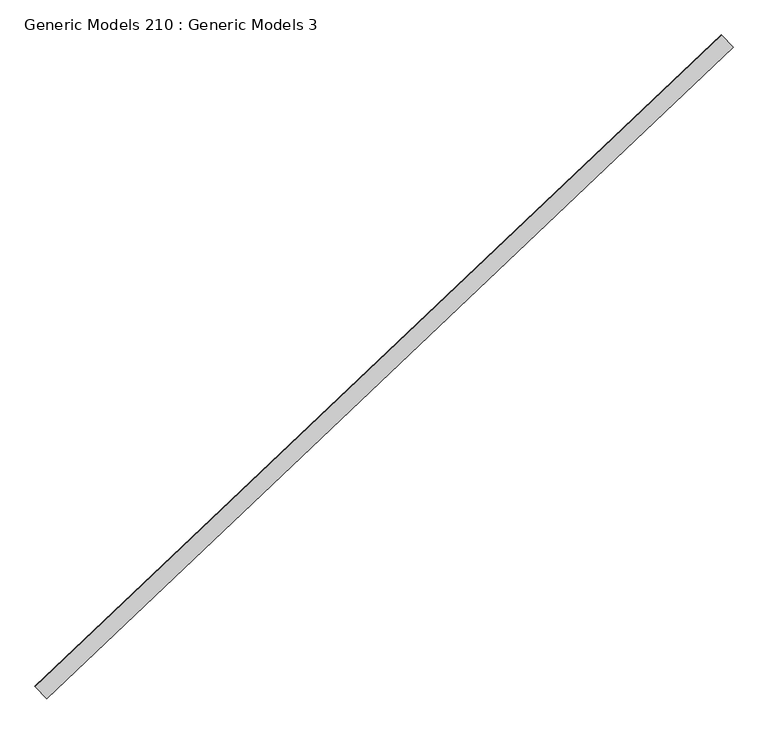
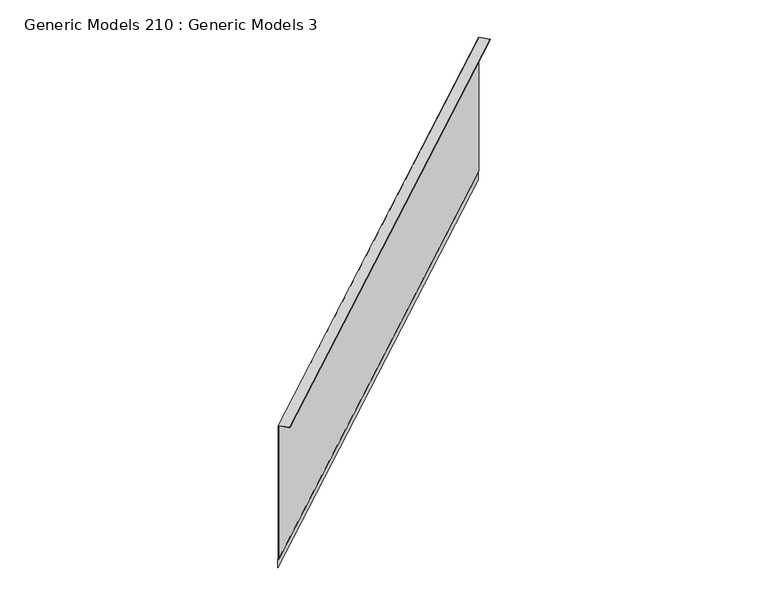
"""IFC4 building model written with IfcOpenShell, lengths in millimetres: proxy geometry, Generic Models 210 : Generic Models 3."""

from ifc_helpers import new_model, si_unit, frame, origin, place, context, project, spatial, polyline, outline, extrude, source, transform, mapped, element, save


def generic_models_210_generic_models_3_284655f2(model_context):
    return source(origin(), model_context, "Body", "SweptSolid", [
        extrude(outline(polyline([(236.7995398, 0.0), (236.7995398, 75.762299), (238.3870398, 75.762299), (238.3870398, -1.5875), (-808.4176864, -1.5875), (-812.0189163, -5.1887299), (-875.470225, -5.1887299), (-875.470225, -3.6012299), (-812.6764803, -3.6012299), (-809.0752504, 0.0), (236.7995398, 0.0)])), frame((99939.0743546, 57113.706519, 17433.3139078), z_axis=(0.7253743710122779, 0.6883545756937643, 0.0), x_axis=(0.0, 0.0, 1.0)), (0.0, 0.0, 1.0), 4530.725),
    ])


if __name__ == "__main__":
    model = new_model("IFC4")
    model_context = context("Model", 3, world=origin())
    ifc_project = project(units=[si_unit("LENGTHUNIT", "METRE", prefix="MILLI")], contexts=[model_context])
    site = spatial("IfcSite", under=ifc_project)
    building = spatial("IfcBuilding", under=site)
    placement = place(None, origin())
    generic_models_210_generic_models_3_shape = generic_models_210_generic_models_3_284655f2(model_context)
    element("IfcBuildingElementProxy", 1, Name="Generic Models 210 : Generic Models 3", ObjectType="Generic Models 210 : Generic Models 3", at=placement, inside=building, context=model_context, shape_type="MappedRepresentation", body=[
        mapped(generic_models_210_generic_models_3_shape, transform((0.0, 0.0, 0.0), x_axis=(1.0, 0.0, 0.0), y_axis=(0.0, 1.0, 0.0), z_axis=(0.0, 0.0, 1.0))),
    ])
    save(model, "model.ifc")
